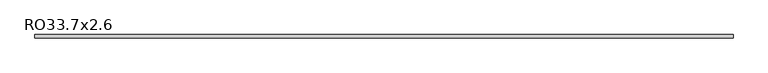
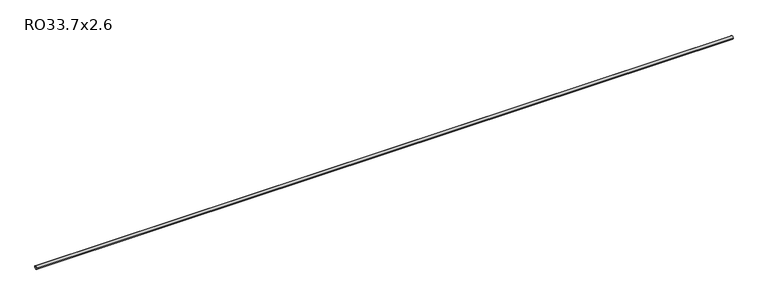
"""IFC4 building model written with IfcOpenShell, lengths in millimetres: beam geometry, RO33.7x2.6."""

from ifc_helpers import new_model, si_unit, point, frame, origin, origin_2d, place, context, project, spatial, circle_curve, trimmed, segment, composite_curve, outline, extrude, source, transform, mapped, element, save


def ro33_7x2_6_df409e82(model_context):
    return source(origin(), model_context, "Body", "SweptSolid", [
        extrude(outline(composite_curve([segment(trimmed(circle_curve(origin_2d(), 16.85), [point((-16.85, 0.0))], [point((16.85, 0.0))], False, "CARTESIAN"), True, "CONTINUOUS"), segment(trimmed(circle_curve(origin_2d(), 16.85), [point((16.85, 0.0))], [point((-16.85, 0.0))], False, "CARTESIAN"), True, "CONTINUOUS")], self_intersect=False), holes=[composite_curve([segment(trimmed(circle_curve(origin_2d(), 14.25), [point((14.25, 0.0))], [point((-14.25, 0.0))], True, "CARTESIAN"), True, "CONTINUOUS"), segment(trimmed(circle_curve(origin_2d(), 14.25), [point((-14.25, 0.0))], [point((14.25, 0.0))], True, "CARTESIAN"), True, "CONTINUOUS")], self_intersect=False)]), frame((-3644.65, 0.0, 0.0), z_axis=(1.0, 0.0, 0.0), x_axis=(0.0, 1.0, 0.0)), (0.0, 0.0, 1.0), 7289.3),
    ])


if __name__ == "__main__":
    model = new_model("IFC4")
    model_context = context("Model", 3, world=origin())
    ifc_project = project(units=[si_unit("LENGTHUNIT", "METRE", prefix="MILLI")], contexts=[model_context])
    site = spatial("IfcSite", under=ifc_project)
    building = spatial("IfcBuilding", under=site)
    placement = place(None, origin())
    ro33_7x2_6_shape = ro33_7x2_6_df409e82(model_context)
    element("IfcBeam", 1, ObjectType="RO33.7x2.6", at=placement, inside=building, context=model_context, shape_type="MappedRepresentation", body=[
        mapped(ro33_7x2_6_shape, transform((0.0, 0.0, 0.0), x_axis=(1.0, 0.0, 0.0), y_axis=(0.0, 1.0, 0.0), z_axis=(0.0, 0.0, 1.0))),
    ])
    save(model, "model.ifc")
